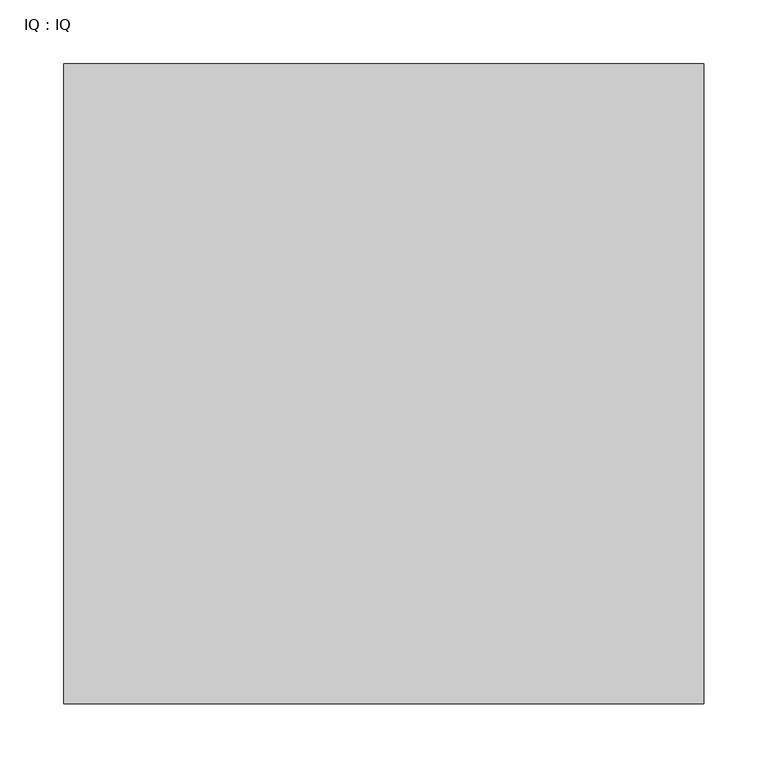
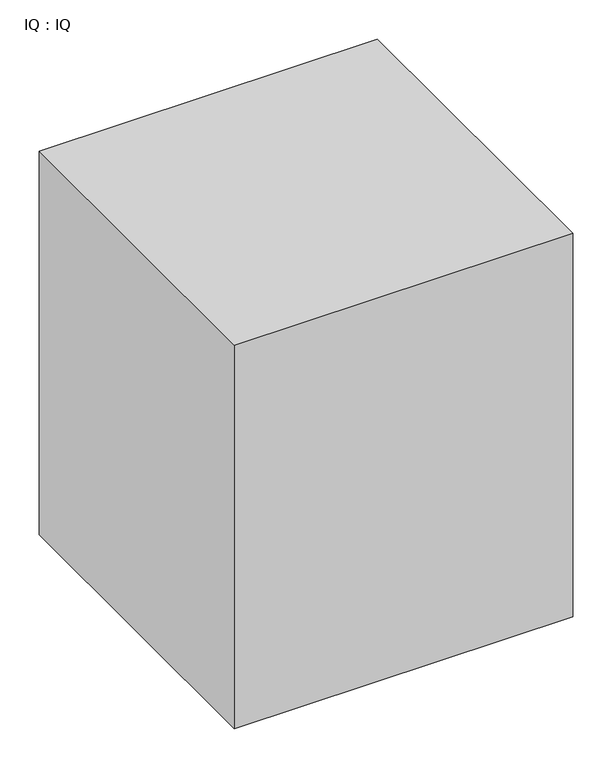
"""IFC4 building model written with IfcOpenShell, lengths in millimetres: proxy geometry, IQ : IQ."""

from ifc_helpers import new_model, si_unit, frame, origin, place, context, project, spatial, polyline, outline, extrude, source, transform, mapped, element, save


def iq_iq_bd97fa24(model_context):
    return source(origin(), model_context, "Body", "SweptSolid", [
        extrude(outline(polyline([(500.0, 500.0), (500.0, 0.0), (0.0, 0.0), (0.0, 500.0), (500.0, 500.0)])), frame((0.0, 0.0, 800.0), z_axis=(0.0, 0.0, 1.0), x_axis=(1.0, 0.0, 0.0)), (0.0, 0.0, 1.0), 600.0),
    ])


if __name__ == "__main__":
    model = new_model("IFC4")
    model_context = context("Model", 3, world=origin())
    ifc_project = project(units=[si_unit("LENGTHUNIT", "METRE", prefix="MILLI")], contexts=[model_context])
    site = spatial("IfcSite", under=ifc_project)
    building = spatial("IfcBuilding", under=site)
    placement = place(None, origin())
    iq_iq_shape = iq_iq_bd97fa24(model_context)
    element("IfcBuildingElementProxy", 1, Name="IQ : IQ", ObjectType="IQ : IQ", at=placement, inside=building, context=model_context, shape_type="MappedRepresentation", body=[
        mapped(iq_iq_shape, transform((0.0, 0.0, 0.0), x_axis=(1.0, 0.0, 0.0), y_axis=(0.0, 1.0, 0.0), z_axis=(0.0, 0.0, 1.0))),
    ])
    save(model, "model.ifc")
